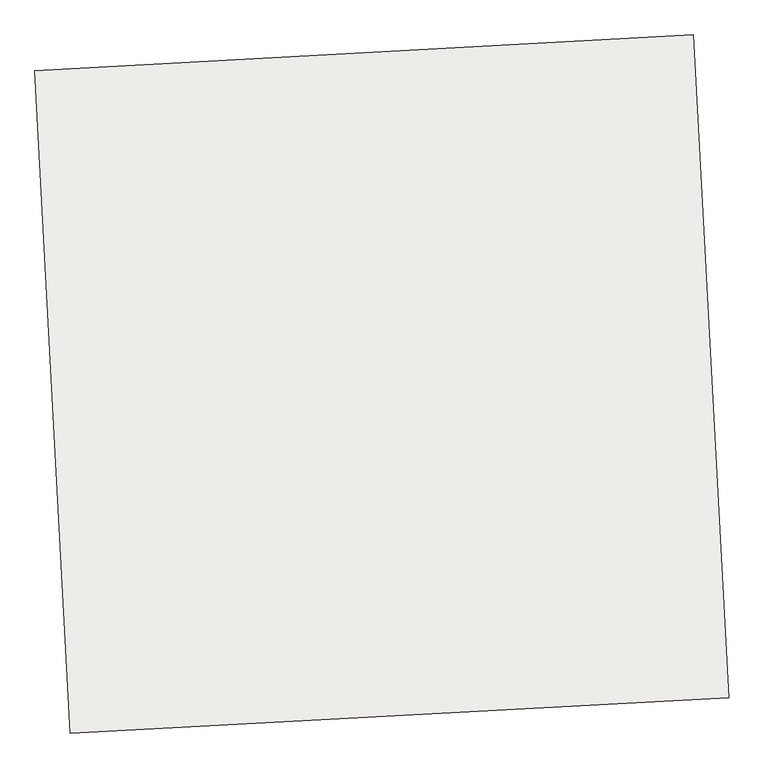
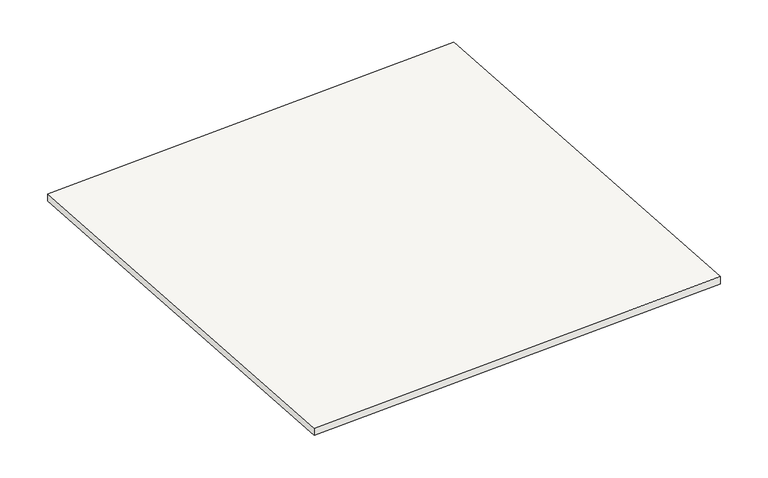
"""IFC4 building model written with IfcOpenShell, lengths in millimetres: slab geometry."""

from ifc_helpers import new_model, si_unit, frame, origin, place, context, project, spatial, polyline, outline, extrude, source, transform, mapped, element, save


def slab_9d0e427d(model_context):
    return source(origin(), model_context, "Body", "SweptSolid", [
        extrude(outline(polyline([(-133526.7170076, 123636.0343825), (-133586.2193435, 124744.2878666), (-132485.3593304, 124803.8490815), (-132425.8325908, 123695.1410718), (-133526.7170076, 123636.0343825)])), frame((0.0, 0.0, -6062.0), z_axis=(0.0, 0.0, 1.0), x_axis=(1.0, 0.0, 0.0)), (0.0, 0.0, 1.0), 20.0),
    ])


if __name__ == "__main__":
    model = new_model("IFC4")
    model_context = context("Model", 3, world=origin())
    ifc_project = project(units=[si_unit("LENGTHUNIT", "METRE", prefix="MILLI")], contexts=[model_context])
    site = spatial("IfcSite", under=ifc_project)
    building = spatial("IfcBuilding", under=site)
    placement = place(None, origin())
    slab_shape = slab_9d0e427d(model_context)
    element("IfcSlab", 1, at=placement, inside=building, context=model_context, shape_type="MappedRepresentation", body=[
        mapped(slab_shape, transform((0.0, 0.0, 0.0), x_axis=(1.0, 0.0, 0.0), y_axis=(0.0, 1.0, 0.0), z_axis=(0.0, 0.0, 1.0))),
    ])
    save(model, "model.ifc")
